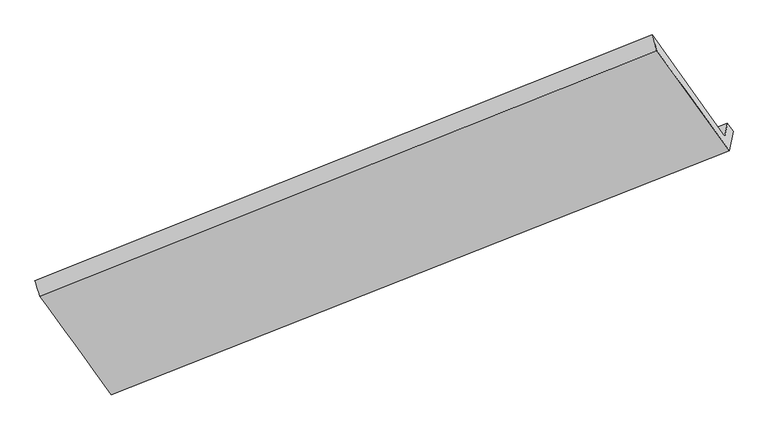
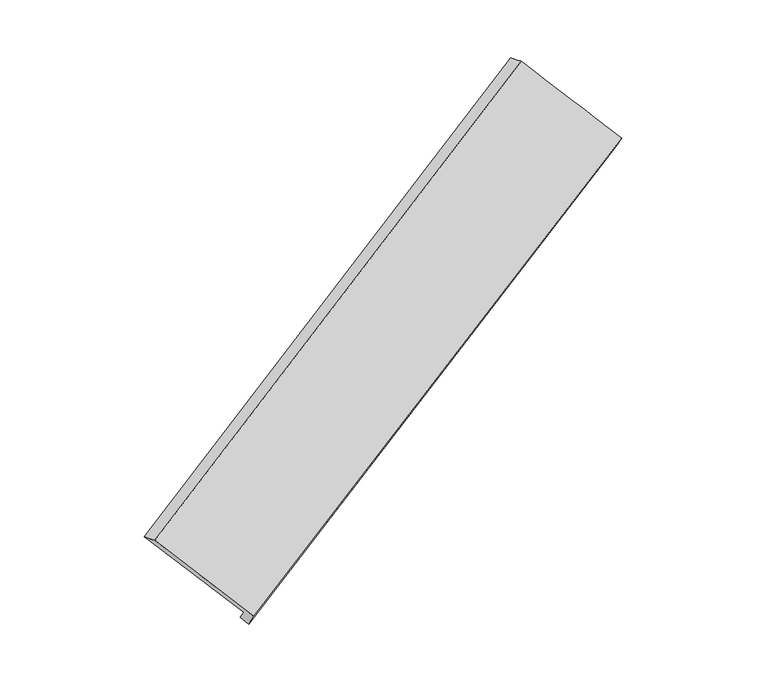
"""IFC4 building model written with IfcOpenShell, lengths in millimetres: proxy geometry."""

from ifc_helpers import new_model, si_unit, frame, origin, place, context, project, spatial, source, transform, mapped, element, save
from ifc_brep_helpers import plane_surface, spline_surface, advanced_brep


def generic_models_0a51a1ec(model_context):
    return source(origin(), model_context, "Body", "AdvancedBrep", [
        advanced_brep(
        [(-5410.8240753, -2765.1238614, 344.7887704), (-5431.6456531, -2873.0920424, 482.1181763), (75.8534726, -701.5341799, 3066.9944912), (99.2048788, -580.4478301, 2912.9795182), (-6066.55657, -1983.2998303, 1085.4077564), (-571.3082261, 205.4268191, 3681.9247107), (-6023.0808844, -2119.6652928, 1108.7513473), (-528.750258, 64.3026255, 3711.3211377), (-5385.589063, -2996.8466225, 489.1010953), (116.4116921, -824.6968845, 3085.2988971), (-5355.7785293, -2842.2671217, 292.484733), (149.8320533, -651.3989893, 2864.8737982)],
        [
            (0, 1),
            (1, 2),
            (2, 3),
            (3, 0),
            (1, 4),
            (4, 5),
            (5, 2),
            (4, 6),
            (6, 7),
            (7, 5),
            (6, 8),
            (8, 9),
            (9, 7),
            (8, 10),
            (10, 11),
            (11, 9),
            (10, 0),
            (3, 11),
        ],
        [
            plane_surface(frame((-5421.2348642, -2819.1079519, 413.4534733), z_axis=(-0.5079909654212771, 0.7128930084069542, 0.48345500061002705), x_axis=(-0.11835403932082875, -0.6137128745258615, 0.7806079867754672))),
            plane_surface(frame((-5749.1011115, -2428.1959364, 783.7629663), z_axis=(0.12273934937719225, 0.6154524389853377, -0.7785585061262017), x_axis=(-0.5085311308771479, 0.7126779959280872, 0.48320405942907235))),
            spline_surface(1, 1, [[(-6066.55657, -1983.2998303, 1085.4077564), (-571.3082261, 205.4268191, 3681.9247107)], [(-6023.0808844, -2119.6652928, 1108.7513473), (-528.750258, 64.3026255, 3711.3211377)]], [2, 2], [2, 2], [0.0, 1.0], [0.0, 1.0]),
            spline_surface(1, 1, [[(-6023.0808844, -2119.6652928, 1108.7513473), (-528.750258, 64.3026255, 3711.3211377)], [(-5385.589063, -2996.8466225, 489.1010953), (116.4116921, -824.6968845, 3085.2988971)]], [2, 2], [2, 2], [0.0, 1.0], [0.0, 1.0]),
            plane_surface(frame((-5370.6837961, -2919.5568721, 390.7929141), z_axis=(0.5091380628705218, -0.7124359690356288, -0.4829217565617822), x_axis=(0.11835403932082869, 0.6137128745258614, -0.7806079867754672))),
            plane_surface(frame((-5383.3013023, -2803.6954916, 318.6367517), z_axis=(0.11991866165972631, 0.6143352492399073, -0.7798792958702526), x_axis=(-0.5085311308771289, 0.7126779959280993, 0.4832040594290743))),
            plane_surface(frame((-109.7927312, -414.7247399, 3220.5654255), z_axis=(0.8528706879153907, 0.33977431003699454, 0.39644042166965354), x_axis=(0.11835403932082869, 0.6137128745258614, -0.7806079867754672))),
            plane_surface(frame((-5612.2457958, -2596.7157952, 633.7753131), z_axis=(-0.8528706879153394, -0.33977431003706837, -0.3964404216697002), x_axis=(0.5085311308772142, -0.7126779959280702, -0.4832040594290274))),
        ],
        [
            (0, [[1, 2, 3, 4]]),
            (1, [[5, 6, 7, -2]]),
            (2, [[8, 9, 10, -6]]),
            (3, [[11, 12, 13, -9]]),
            (4, [[14, 15, 16, -12]]),
            (5, [[17, -4, 18, -15]]),
            (6, [[-16, -18, -3, -7, -10, -13]]),
            (7, [[-17, -14, -11, -8, -5, -1]]),
        ],
    ),
    ])


if __name__ == "__main__":
    model = new_model("IFC4")
    model_context = context("Model", 3, world=origin())
    ifc_project = project(units=[si_unit("LENGTHUNIT", "METRE", prefix="MILLI")], contexts=[model_context])
    site = spatial("IfcSite", under=ifc_project)
    building = spatial("IfcBuilding", under=site)
    placement = place(None, origin())
    generic_models_shape = generic_models_0a51a1ec(model_context)
    element("IfcBuildingElementProxy", 1, Name="Generic Models", at=placement, inside=building, context=model_context, shape_type="MappedRepresentation", body=[
        mapped(generic_models_shape, transform((0.0, 0.0, 0.0), x_axis=(1.0, 0.0, 0.0), y_axis=(0.0, 1.0, 0.0), z_axis=(0.0, 0.0, 1.0))),
    ])
    save(model, "model.ifc")
